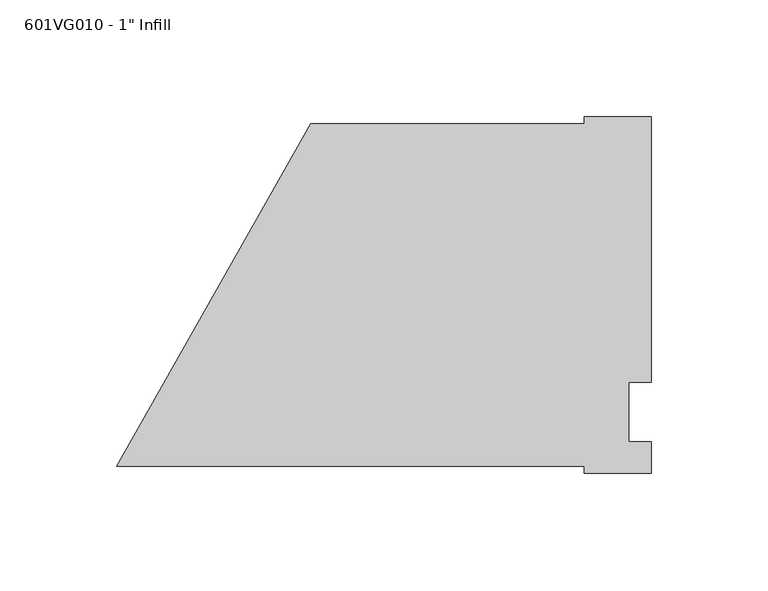
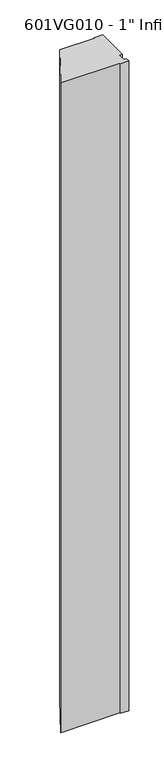
"""IFC4 building model written with IfcOpenShell, lengths in millimetres: proxy geometry."""

import ifcopenshell
import ifcopenshell.guid

model = None  # the IFC model being written
_history = None  # IfcOwnerHistory: only IFC2X3 demands one
_inside = {}  # id of a spatial element -> (the spatial element, [elements in it])
_under = {}  # id of a project, library or spatial element -> (it, [spatial elements below it])
_declared = {}  # id of a project -> (the project, [libraries it declares])
_typed = {}  # id of a type object -> (the type object, [elements of that type])
_made_of = {}  # id of a material, layer set ... -> (it, [elements and type objects made of it])


def new_model(schema):
    """Start an empty IFC model of exactly this schema.

    Asked for "IFC4X3", IfcOpenShell would pick the latest addendum, in which some entities
    have other attributes; the version numbers below select the first issue.
    IFC2X3 requires an IfcOwnerHistory on every rooted entity: one is made here for all.
    """
    global model, _history
    if schema == "IFC4X3":
        model = ifcopenshell.file(schema_version=(4, 3, 0, 0))
    else:
        model = ifcopenshell.file(schema=schema)
    _inside.clear()
    _under.clear()
    _declared.clear()
    _typed.clear()
    _made_of.clear()
    _history = None
    if model.schema == "IFC2X3":
        org = make("IfcOrganization", Name="unknown")
        user = make(
            "IfcPersonAndOrganization",
            ThePerson=make("IfcPerson", FamilyName="unknown"),
            TheOrganization=org,
        )
        app = make(
            "IfcApplication",
            ApplicationDeveloper=org,
            Version="unknown",
            ApplicationFullName="unknown",
            ApplicationIdentifier="unknown",
        )
        _history = make(
            "IfcOwnerHistory",
            OwningUser=user,
            OwningApplication=app,
            ChangeAction="ADDED",
            CreationDate=0,
        )
    return model


def make(cls, **values):
    """One entity of the class cls with the attributes given. An attribute that is None is left unset."""
    return model.create_entity(
        cls, **{name: value for name, value in values.items() if value is not None}
    )


def rooted(cls, **values):
    """An entity with a GlobalId (a new one), such as an element, a storey or a relation."""
    return make(cls, GlobalId=ifcopenshell.guid.new(), OwnerHistory=_history, **values)


def si_unit(unit_type, name, prefix=None):
    """IfcSIUnit, for example si_unit("LENGTHUNIT", "METRE", prefix="MILLI")."""
    return make("IfcSIUnit", UnitType=unit_type, Prefix=prefix, Name=name)


def assignment(units):
    """IfcUnitAssignment: the units of a project."""
    return None if units is None else make("IfcUnitAssignment", Units=units)


def point(xyz):
    """IfcCartesianPoint."""
    return None if xyz is None else make("IfcCartesianPoint", Coordinates=xyz)


def direction(xyz):
    """IfcDirection."""
    return None if xyz is None else make("IfcDirection", DirectionRatios=xyz)


def frame(location, z_axis=None, x_axis=None):
    """IfcAxis2Placement3D, a coordinate frame: its origin and axes. An axis left out is left unset."""
    return make(
        "IfcAxis2Placement3D",
        Location=point(location),
        Axis=direction(z_axis),
        RefDirection=direction(x_axis),
    )


def origin():
    """The frame at (0, 0, 0) with its axes left unset."""
    return frame((0.0, 0.0, 0.0))


def place(relative_to, where):
    """IfcLocalPlacement: puts the frame where relative to a parent placement (None: the world)."""
    return make(
        "IfcLocalPlacement", PlacementRelTo=relative_to, RelativePlacement=where
    )


def context(
    kind, dimensions, precision=None, world=None, true_north=None, identifier=None
):
    """IfcGeometricRepresentationContext, for example the 3D "Model" context."""
    return make(
        "IfcGeometricRepresentationContext",
        ContextIdentifier=identifier,
        ContextType=kind,
        CoordinateSpaceDimension=dimensions,
        Precision=precision,
        WorldCoordinateSystem=world,
        TrueNorth=true_north,
    )


def project(units=None, contexts=None):
    """IfcProject with its units and contexts."""
    return rooted(
        "IfcProject",
        Name="project",
        RepresentationContexts=contexts,
        UnitsInContext=assignment(units),
    )


def spatial(cls, under=None, at=None, **own):
    """A site, building, storey or space (cls), placed at a placement, below another one or the project."""
    s = rooted(cls, ObjectPlacement=at, **own)
    if under is not None:
        _under.setdefault(under.id(), (under, []))[1].append(s)
    return s


def polyline(points):
    """IfcPolyline through the points."""
    return make("IfcPolyline", Points=[point(p) for p in points])


def outline(outer, holes=None, kind="AREA"):
    """IfcArbitraryClosedProfileDef: a profile drawn as a closed curve; with holes, ...WithVoids."""
    if holes is None:
        return make("IfcArbitraryClosedProfileDef", ProfileType=kind, OuterCurve=outer)
    return make(
        "IfcArbitraryProfileDefWithVoids",
        ProfileType=kind,
        OuterCurve=outer,
        InnerCurves=holes,
    )


def extrude(swept, where, along, depth):
    """IfcExtrudedAreaSolid: the profile swept, set in the frame where, extruded along a direction by depth."""
    return make(
        "IfcExtrudedAreaSolid",
        SweptArea=swept,
        Position=where,
        ExtrudedDirection=direction(along),
        Depth=depth,
    )


def shape(context_of_items, identifier, shape_type, items):
    """IfcShapeRepresentation: the items that make up one representation, for example the "Body"."""
    return make(
        "IfcShapeRepresentation",
        ContextOfItems=context_of_items,
        RepresentationIdentifier=identifier,
        RepresentationType=shape_type,
        Items=items,
    )


def source(mapping_origin, context_of_items, identifier, shape_type, items):
    """IfcRepresentationMap: a shape defined once, which mapped items show again and again."""
    return make(
        "IfcRepresentationMap",
        MappingOrigin=mapping_origin,
        MappedRepresentation=shape(context_of_items, identifier, shape_type, items),
    )


def transform(
    local_origin,
    x_axis=None,
    y_axis=None,
    z_axis=None,
    scale=None,
    scale2=None,
    scale3=None,
    uniform=True,
):
    """IfcCartesianTransformationOperator3D, or its non-uniform kind. x_axis, y_axis, z_axis: its Axis1, 2, 3."""
    if uniform:
        return make(
            "IfcCartesianTransformationOperator3D",
            Axis1=direction(x_axis),
            Axis2=direction(y_axis),
            LocalOrigin=point(local_origin),
            Scale=scale,
            Axis3=direction(z_axis),
        )
    return make(
        "IfcCartesianTransformationOperator3DnonUniform",
        Axis1=direction(x_axis),
        Axis2=direction(y_axis),
        LocalOrigin=point(local_origin),
        Scale=scale,
        Axis3=direction(z_axis),
        Scale2=scale2,
        Scale3=scale3,
    )


def mapped(mapping_source, mapping_target):
    """IfcMappedItem: shows the shape of a source again, moved by a transform."""
    return make(
        "IfcMappedItem", MappingSource=mapping_source, MappingTarget=mapping_target
    )


def made_of(thing, what):
    """Note that an element or type object is made of a material, layer set ...; save() writes the relation."""
    if what is not None:
        _made_of.setdefault(what.id(), (what, []))[1].append(thing)
    return thing


def element(
    cls,
    number,
    at=None,
    inside=None,
    cuts=None,
    type_object=None,
    material=None,
    context=None,
    identifier="Body",
    shape_type=None,
    held_by="IfcProductDefinitionShape",
    body=None,
    shapes=None,
    **own,
):
    """One element of the class cls, such as IfcWall. Its Tag is "e" and its number.

    at: its placement. inside: the storey or other place that contains it. cuts: it is an
    opening in that element (IfcRelVoidsElement). A single representation is given by context,
    identifier, shape_type and body (its items); several are given by shapes. held_by: the class
    of the entity that holds the representations. save() writes the other relations.
    """
    e = rooted(cls, Tag="e%d" % number, ObjectPlacement=at, **own)
    if body is not None:
        shapes = [shape(context, identifier, shape_type, body)]
    if shapes is not None:
        e.Representation = make(held_by, Representations=shapes)
    if inside is not None:
        _inside.setdefault(inside.id(), (inside, []))[1].append(e)
    if cuts is not None:
        rooted(
            "IfcRelVoidsElement", RelatingBuildingElement=cuts, RelatedOpeningElement=e
        )
    if type_object is not None:
        _typed.setdefault(type_object.id(), (type_object, []))[1].append(e)
    return made_of(e, material)


def aggregate(whole, parts):
    """IfcRelAggregates: a whole, such as a stair, and the parts it consists of."""
    return rooted("IfcRelAggregates", RelatingObject=whole, RelatedObjects=parts)


def save(model, path):
    """Write the relations noted so far, then the file.

    IfcRelAggregates (storeys below a building ...), IfcRelContainedInSpatialStructure (elements
    in a storey), IfcRelDefinesByType, IfcRelAssociatesMaterial and IfcRelDeclares: one each for
    every whole, place, type object, material and project.
    """
    for whole, parts in _under.values():
        aggregate(whole, parts)
    for where, things in _inside.values():
        rooted(
            "IfcRelContainedInSpatialStructure",
            RelatedElements=things,
            RelatingStructure=where,
        )
    for kind, things in _typed.values():
        rooted("IfcRelDefinesByType", RelatedObjects=things, RelatingType=kind)
    for what, things in _made_of.values():
        rooted("IfcRelAssociatesMaterial", RelatedObjects=things, RelatingMaterial=what)
    for by, libraries in _declared.values():
        rooted("IfcRelDeclares", RelatingContext=by, RelatedDefinitions=libraries)
    model.write(path)


def proxy_54a2cfa4(model_context):
    return source(origin(), model_context, "Body", "SweptSolid", [
        extrude(outline(polyline([(228.6, -26.19375), (199.9581978, -26.19375), (199.9581978, -23.33625), (0.0, -23.33625), (82.99038, 123.34875), (200.0711005, 123.34875), (200.0711005, 126.20625), (228.6, 126.20625), (228.6, 12.7), (219.075, 12.7), (219.075, -12.7), (228.6, -12.7), (228.6, -26.19375)])), frame((0.0, 0.0, 63.5), z_axis=(0.0, 0.0, 1.0), x_axis=(1.0, 0.0, 0.0)), (0.0, 0.0, 1.0), 2317.75),
    ])


if __name__ == "__main__":
    model = new_model("IFC4")
    model_context = context("Model", 3, world=origin())
    ifc_project = project(units=[si_unit("LENGTHUNIT", "METRE", prefix="MILLI")], contexts=[model_context])
    site = spatial("IfcSite", under=ifc_project)
    building = spatial("IfcBuilding", under=site)
    placement = place(None, origin())
    proxy_shape = proxy_54a2cfa4(model_context)
    element("IfcBuildingElementProxy", 1, Name="601VG010 - 1\" Infill", ObjectType="601VG010 - 1\" Infill", at=placement, inside=building, context=model_context, shape_type="MappedRepresentation", body=[
        mapped(proxy_shape, transform((0.0, 0.0, 0.0), x_axis=(1.0, 0.0, 0.0), y_axis=(0.0, 1.0, 0.0), z_axis=(0.0, 0.0, 1.0))),
    ])
    save(model, "model.ifc")
